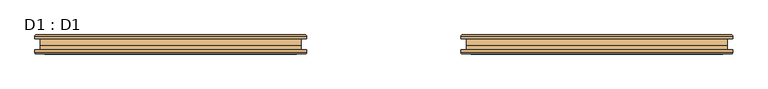
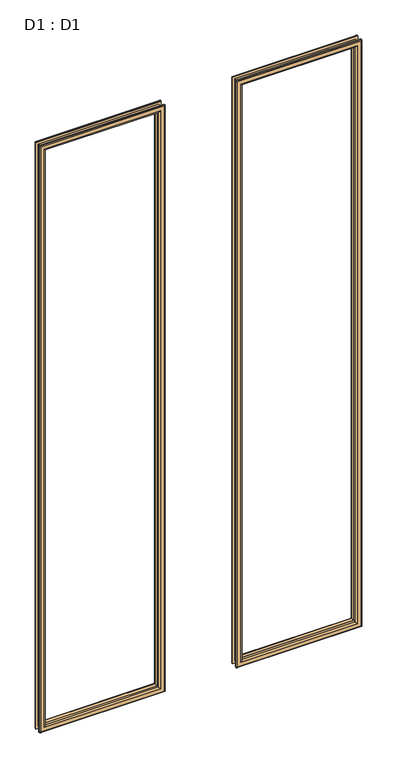
"""IFC4 building model written with IfcOpenShell, lengths in millimetres: door geometry, D1 : D1."""

from ifc_helpers import new_model, si_unit, frame, origin, place, context, project, spatial, ellipse_curve, source, transform, mapped, element, save
from ifc_brep_helpers import plane_surface, cylinder_surface, advanced_brep


def d1_d1_5e2eae25(model_context):
    return source(origin(), model_context, "Body", "AdvancedBrep", [
        advanced_brep(
        [(526.5, -48.0, 2196.006446), (526.5, -48.0, 155.753223), (526.5, -38.0, 155.753223), (526.5, -38.0, 2196.006446), (514.5, -37.0, 2184.006446), (514.5, -37.0, 167.753223), (514.5, -48.0, 167.753223), (514.5, -48.0, 2184.006446), (519.5, -32.0, 2189.006446), (519.5, -32.0, 162.753223), (534.5, -34.0, 2204.006446), (534.5, -34.0, 147.753223), (532.5, -32.0, 149.753223), (532.5, -32.0, 2202.006446), (534.5, -38.0, 2204.006446), (534.5, -38.0, 147.753223), (126.5, -48.0, 155.753223), (126.5, -38.0, 155.753223), (138.5, -37.0, 167.753223), (138.5, -48.0, 167.753223), (133.5, -32.0, 162.753223), (118.5, -34.0, 147.753223), (120.5, -32.0, 149.753223), (118.5, -38.0, 147.753223), (126.5, -48.0, 2196.006446), (126.5, -38.0, 2196.006446), (138.5, -37.0, 2184.006446), (138.5, -48.0, 2184.006446), (133.5, -32.0, 2189.006446), (118.5, -34.0, 2204.006446), (120.5, -32.0, 2202.006446), (118.5, -38.0, 2204.006446)],
        [
            (0, 1),
            (1, 2),
            (2, 3),
            (3, 0),
            (4, 5),
            (5, 6),
            (6, 7),
            (7, 4),
            (8, 9),
            (9, 5, ellipse_curve(frame((519.5, -37.0, 162.753223), z_axis=(0.7071067811865475, 0.0, 0.7071067811865475), x_axis=(-0.7071067811865474, 0.0, 0.7071067811865476)), 7.0710678, 5.0)),
            (4, 8, ellipse_curve(frame((519.5, -37.0, 2189.006446), z_axis=(0.7071067811865475, 0.0, -0.7071067811865475), x_axis=(0.7071067811865474, 0.0, 0.7071067811865476)), 7.0710678, 5.0)),
            (10, 11),
            (11, 12, ellipse_curve(frame((532.5, -34.0, 149.753223), z_axis=(0.7071067811865475, 0.0, 0.7071067811865475), x_axis=(-0.7071067811865474, 0.0, 0.7071067811865476)), 2.8284271, 2.0)),
            (12, 13),
            (13, 10, ellipse_curve(frame((532.5, -34.0, 2202.006446), z_axis=(0.7071067811865475, 0.0, -0.7071067811865475), x_axis=(0.7071067811865474, 0.0, 0.7071067811865476)), 2.8284271, 2.0)),
            (14, 15),
            (15, 11),
            (10, 14),
            (1, 16),
            (16, 17),
            (17, 2),
            (5, 18),
            (18, 19),
            (19, 6),
            (9, 20),
            (20, 18, ellipse_curve(frame((133.5, -37.0, 162.753223), z_axis=(0.7071067811865475, 0.0, -0.7071067811865475), x_axis=(0.7071067811865476, 0.0, 0.7071067811865474)), 7.0710678, 5.0)),
            (11, 21),
            (21, 22, ellipse_curve(frame((120.5, -34.0, 149.753223), z_axis=(0.7071067811865475, 0.0, -0.7071067811865475), x_axis=(0.7071067811865476, 0.0, 0.7071067811865474)), 2.8284271, 2.0)),
            (22, 12),
            (15, 23),
            (23, 21),
            (16, 24),
            (24, 25),
            (25, 17),
            (18, 26),
            (26, 27),
            (27, 19),
            (20, 28),
            (28, 26, ellipse_curve(frame((133.5, -37.0, 2189.006446), z_axis=(-0.7071067811865475, 0.0, -0.7071067811865475), x_axis=(0.7071067811865474, 0.0, -0.7071067811865476)), 7.0710678, 5.0)),
            (21, 29),
            (29, 30, ellipse_curve(frame((120.5, -34.0, 2202.006446), z_axis=(-0.7071067811865475, 0.0, -0.7071067811865475), x_axis=(0.7071067811865474, 0.0, -0.7071067811865476)), 2.8284271, 2.0)),
            (30, 22),
            (23, 31),
            (31, 29),
            (14, 31),
            (25, 3),
            (24, 0),
            (27, 7),
            (26, 4),
            (28, 8),
            (30, 13),
            (29, 10),
        ],
        [
            plane_surface(frame((526.5, -38.0, 2196.006446), z_axis=(1.0, 0.0, 0.0), x_axis=(0.0, 0.0, -1.0))),
            plane_surface(frame((514.5, -48.0, 2184.006446), z_axis=(-1.0, 0.0, 0.0), x_axis=(0.0, 0.0, -1.0))),
            cylinder_surface(frame((519.5, -37.0, 2196.006446), z_axis=(0.0, 0.0, 1.0), x_axis=(1.0, 0.0, 0.0)), 5.0),
            cylinder_surface(frame((532.5, -34.0, 2196.006446), z_axis=(0.0, 0.0, 1.0), x_axis=(1.0, 0.0, 0.0)), 2.0),
            plane_surface(frame((534.5, -34.0, 2204.006446), z_axis=(1.0, 0.0, 0.0), x_axis=(0.0, 0.0, -1.0))),
            plane_surface(frame((526.5, -38.0, 155.753223), z_axis=(0.0, 0.0, -1.0), x_axis=(-1.0, 0.0, 0.0))),
            plane_surface(frame((514.5, -48.0, 167.753223), z_axis=(0.0, 0.0, 1.0), x_axis=(-1.0, 0.0, 0.0))),
            cylinder_surface(frame((526.5, -37.0, 162.753223), z_axis=(1.0, 0.0, 0.0), x_axis=(0.0, 0.0, -1.0)), 5.0),
            cylinder_surface(frame((526.5, -34.0, 149.753223), z_axis=(1.0, 0.0, 0.0), x_axis=(0.0, 0.0, -1.0)), 2.0),
            plane_surface(frame((534.5, -34.0, 147.753223), z_axis=(0.0, 0.0, -1.0), x_axis=(-1.0, 0.0, 0.0))),
            plane_surface(frame((126.5, -38.0, 155.753223), z_axis=(-1.0, 0.0, 0.0), x_axis=(0.0, 0.0, 1.0))),
            plane_surface(frame((138.5, -48.0, 167.753223), z_axis=(1.0, 0.0, 0.0), x_axis=(0.0, 0.0, 1.0))),
            cylinder_surface(frame((133.5, -37.0, 155.753223), z_axis=(0.0, 0.0, -1.0), x_axis=(-1.0, 0.0, 0.0)), 5.0),
            cylinder_surface(frame((120.5, -34.0, 155.753223), z_axis=(0.0, 0.0, -1.0), x_axis=(-1.0, 0.0, 0.0)), 2.0),
            plane_surface(frame((118.5, -34.0, 147.753223), z_axis=(-1.0, 0.0, 0.0), x_axis=(0.0, 0.0, 1.0))),
            plane_surface(frame((118.5, -38.0, 2204.006446), z_axis=(0.0, -1.0, 0.0), x_axis=(1.0, 0.0, 0.0))),
            plane_surface(frame((126.5, -38.0, 2196.006446), z_axis=(0.0, 0.0, 1.0), x_axis=(1.0, 0.0, 0.0))),
            plane_surface(frame((126.5, -48.0, 2196.006446), z_axis=(0.0, -1.0, 0.0), x_axis=(1.0, 0.0, 0.0))),
            plane_surface(frame((138.5, -48.0, 2184.006446), z_axis=(0.0, 0.0, -1.0), x_axis=(1.0, 0.0, 0.0))),
            cylinder_surface(frame((126.5, -37.0, 2189.006446), z_axis=(-1.0, 0.0, 0.0), x_axis=(0.0, 0.0, 1.0)), 5.0),
            plane_surface(frame((133.5, -32.0, 2189.006446), z_axis=(0.0, 1.0, 0.0), x_axis=(1.0, 0.0, 0.0))),
            cylinder_surface(frame((126.5, -34.0, 2202.006446), z_axis=(-1.0, 0.0, 0.0), x_axis=(0.0, 0.0, 1.0)), 2.0),
            plane_surface(frame((118.5, -34.0, 2204.006446), z_axis=(0.0, 0.0, 1.0), x_axis=(1.0, 0.0, 0.0))),
        ],
        [
            (0, [[1, 2, 3, 4]]),
            (1, [[5, 6, 7, 8]]),
            (2, [[9, 10, -5, 11]]),
            (3, [[12, 13, 14, 15]]),
            (4, [[16, 17, -12, 18]]),
            (5, [[19, 20, 21, -2]]),
            (6, [[22, 23, 24, -6]]),
            (7, [[25, 26, -22, -10]]),
            (8, [[27, 28, 29, -13]]),
            (9, [[30, 31, -27, -17]]),
            (10, [[32, 33, 34, -20]]),
            (11, [[35, 36, 37, -23]]),
            (12, [[38, 39, -35, -26]]),
            (13, [[40, 41, 42, -28]]),
            (14, [[43, 44, -40, -31]]),
            (15, [[-16, 45, -43, -30], [-3, -21, -34, 46]]),
            (16, [[47, -4, -46, -33]]),
            (17, [[-1, -47, -32, -19], [-7, -24, -37, 48]]),
            (18, [[49, -8, -48, -36]]),
            (19, [[50, -11, -49, -39]]),
            (20, [[-14, -29, -42, 51], [-9, -50, -38, -25]]),
            (21, [[52, -15, -51, -41]]),
            (22, [[-45, -18, -52, -44]]),
        ],
    ),
        advanced_brep(
        [(-526.5, -48.0, 155.753223), (-526.5, -48.0, 2195.753223), (-526.5, -38.0, 2195.753223), (-526.5, -38.0, 155.753223), (-514.5, -37.0, 167.753223), (-514.5, -37.0, 2183.753223), (-514.5, -48.0, 2183.753223), (-514.5, -48.0, 167.753223), (-519.5, -32.0, 162.753223), (-519.5, -32.0, 2188.753223), (-534.5, -34.0, 147.753223), (-534.5, -34.0, 2203.753223), (-532.5, -32.0, 2201.753223), (-532.5, -32.0, 149.753223), (-534.5, -38.0, 147.753223), (-534.5, -38.0, 2203.753223), (-126.5, -48.0, 2195.753223), (-126.5, -38.0, 2195.753223), (-138.5, -37.0, 2183.753223), (-138.5, -48.0, 2183.753223), (-133.5, -32.0, 2188.753223), (-118.5, -34.0, 2203.753223), (-120.5, -32.0, 2201.753223), (-118.5, -38.0, 2203.753223), (-126.5, -48.0, 155.753223), (-126.5, -38.0, 155.753223), (-138.5, -37.0, 167.753223), (-138.5, -48.0, 167.753223), (-133.5, -32.0, 162.753223), (-118.5, -34.0, 147.753223), (-120.5, -32.0, 149.753223), (-118.5, -38.0, 147.753223)],
        [
            (0, 1),
            (1, 2),
            (2, 3),
            (3, 0),
            (4, 5),
            (5, 6),
            (6, 7),
            (7, 4),
            (8, 9),
            (9, 5, ellipse_curve(frame((-519.5, -37.0, 2188.753223), z_axis=(-0.7071067811865475, 0.0, -0.7071067811865475), x_axis=(0.7071067811865474, 0.0, -0.7071067811865476)), 7.0710678, 5.0)),
            (4, 8, ellipse_curve(frame((-519.5, -37.0, 162.753223), z_axis=(-0.7071067811865475, 0.0, 0.7071067811865475), x_axis=(-0.7071067811865474, 0.0, -0.7071067811865476)), 7.0710678, 5.0)),
            (10, 11),
            (11, 12, ellipse_curve(frame((-532.5, -34.0, 2201.753223), z_axis=(-0.7071067811865475, 0.0, -0.7071067811865475), x_axis=(0.7071067811865474, 0.0, -0.7071067811865476)), 2.8284271, 2.0)),
            (12, 13),
            (13, 10, ellipse_curve(frame((-532.5, -34.0, 149.753223), z_axis=(-0.7071067811865475, 0.0, 0.7071067811865475), x_axis=(-0.7071067811865474, 0.0, -0.7071067811865476)), 2.8284271, 2.0)),
            (14, 15),
            (15, 11),
            (10, 14),
            (1, 16),
            (16, 17),
            (17, 2),
            (5, 18),
            (18, 19),
            (19, 6),
            (9, 20),
            (20, 18, ellipse_curve(frame((-133.5, -37.0, 2188.753223), z_axis=(-0.7071067811865475, 0.0, 0.7071067811865475), x_axis=(-0.7071067811865476, 0.0, -0.7071067811865474)), 7.0710678, 5.0)),
            (11, 21),
            (21, 22, ellipse_curve(frame((-120.5, -34.0, 2201.753223), z_axis=(-0.7071067811865475, 0.0, 0.7071067811865475), x_axis=(-0.7071067811865476, 0.0, -0.7071067811865474)), 2.8284271, 2.0)),
            (22, 12),
            (15, 23),
            (23, 21),
            (16, 24),
            (24, 25),
            (25, 17),
            (18, 26),
            (26, 27),
            (27, 19),
            (20, 28),
            (28, 26, ellipse_curve(frame((-133.5, -37.0, 162.753223), z_axis=(0.7071067811865475, 0.0, 0.7071067811865475), x_axis=(-0.7071067811865474, 0.0, 0.7071067811865476)), 7.0710678, 5.0)),
            (21, 29),
            (29, 30, ellipse_curve(frame((-120.5, -34.0, 149.753223), z_axis=(0.7071067811865475, 0.0, 0.7071067811865475), x_axis=(-0.7071067811865474, 0.0, 0.7071067811865476)), 2.8284271, 2.0)),
            (30, 22),
            (23, 31),
            (31, 29),
            (14, 31),
            (25, 3),
            (24, 0),
            (27, 7),
            (26, 4),
            (28, 8),
            (30, 13),
            (29, 10),
        ],
        [
            plane_surface(frame((-526.5, -38.0, 155.753223), z_axis=(-1.0, 0.0, 0.0), x_axis=(0.0, 0.0, 1.0))),
            plane_surface(frame((-514.5, -48.0, 167.753223), z_axis=(1.0, 0.0, 0.0), x_axis=(0.0, 0.0, 1.0))),
            cylinder_surface(frame((-519.5, -37.0, 155.753223), z_axis=(0.0, 0.0, -1.0), x_axis=(-1.0, 0.0, 0.0)), 5.0),
            cylinder_surface(frame((-532.5, -34.0, 155.753223), z_axis=(0.0, 0.0, -1.0), x_axis=(-1.0, 0.0, 0.0)), 2.0),
            plane_surface(frame((-534.5, -34.0, 147.753223), z_axis=(-1.0, 0.0, 0.0), x_axis=(0.0, 0.0, 1.0))),
            plane_surface(frame((-526.5, -38.0, 2195.753223), z_axis=(0.0, 0.0, 1.0), x_axis=(1.0, 0.0, 0.0))),
            plane_surface(frame((-514.5, -48.0, 2183.753223), z_axis=(0.0, 0.0, -1.0), x_axis=(1.0, 0.0, 0.0))),
            cylinder_surface(frame((-526.5, -37.0, 2188.753223), z_axis=(-1.0, 0.0, 0.0), x_axis=(0.0, 0.0, 1.0)), 5.0),
            cylinder_surface(frame((-526.5, -34.0, 2201.753223), z_axis=(-1.0, 0.0, 0.0), x_axis=(0.0, 0.0, 1.0)), 2.0),
            plane_surface(frame((-534.5, -34.0, 2203.753223), z_axis=(0.0, 0.0, 1.0), x_axis=(1.0, 0.0, 0.0))),
            plane_surface(frame((-126.5, -38.0, 2195.753223), z_axis=(1.0, 0.0, 0.0), x_axis=(0.0, 0.0, -1.0))),
            plane_surface(frame((-138.5, -48.0, 2183.753223), z_axis=(-1.0, 0.0, 0.0), x_axis=(0.0, 0.0, -1.0))),
            cylinder_surface(frame((-133.5, -37.0, 2195.753223), z_axis=(0.0, 0.0, 1.0), x_axis=(1.0, 0.0, 0.0)), 5.0),
            cylinder_surface(frame((-120.5, -34.0, 2195.753223), z_axis=(0.0, 0.0, 1.0), x_axis=(1.0, 0.0, 0.0)), 2.0),
            plane_surface(frame((-118.5, -34.0, 2203.753223), z_axis=(1.0, 0.0, 0.0), x_axis=(0.0, 0.0, -1.0))),
            plane_surface(frame((-118.5, -38.0, 147.753223), z_axis=(0.0, -1.0, 0.0), x_axis=(-1.0, 0.0, 0.0))),
            plane_surface(frame((-126.5, -38.0, 155.753223), z_axis=(0.0, 0.0, -1.0), x_axis=(-1.0, 0.0, 0.0))),
            plane_surface(frame((-126.5, -48.0, 155.753223), z_axis=(0.0, -1.0, 0.0), x_axis=(-1.0, 0.0, 0.0))),
            plane_surface(frame((-138.5, -48.0, 167.753223), z_axis=(0.0, 0.0, 1.0), x_axis=(-1.0, 0.0, 0.0))),
            cylinder_surface(frame((-126.5, -37.0, 162.753223), z_axis=(1.0, 0.0, 0.0), x_axis=(0.0, 0.0, -1.0)), 5.0),
            plane_surface(frame((-133.5, -32.0, 162.753223), z_axis=(0.0, 1.0, 0.0), x_axis=(-1.0, 0.0, 0.0))),
            cylinder_surface(frame((-126.5, -34.0, 149.753223), z_axis=(1.0, 0.0, 0.0), x_axis=(0.0, 0.0, -1.0)), 2.0),
            plane_surface(frame((-118.5, -34.0, 147.753223), z_axis=(0.0, 0.0, -1.0), x_axis=(-1.0, 0.0, 0.0))),
        ],
        [
            (0, [[1, 2, 3, 4]]),
            (1, [[5, 6, 7, 8]]),
            (2, [[9, 10, -5, 11]]),
            (3, [[12, 13, 14, 15]]),
            (4, [[16, 17, -12, 18]]),
            (5, [[19, 20, 21, -2]]),
            (6, [[22, 23, 24, -6]]),
            (7, [[25, 26, -22, -10]]),
            (8, [[27, 28, 29, -13]]),
            (9, [[30, 31, -27, -17]]),
            (10, [[32, 33, 34, -20]]),
            (11, [[35, 36, 37, -23]]),
            (12, [[38, 39, -35, -26]]),
            (13, [[40, 41, 42, -28]]),
            (14, [[43, 44, -40, -31]]),
            (15, [[-16, 45, -43, -30], [-3, -21, -34, 46]]),
            (16, [[47, -4, -46, -33]]),
            (17, [[-1, -47, -32, -19], [-7, -24, -37, 48]]),
            (18, [[49, -8, -48, -36]]),
            (19, [[50, -11, -49, -39]]),
            (20, [[-14, -29, -42, 51], [-9, -50, -38, -25]]),
            (21, [[52, -15, -51, -41]]),
            (22, [[-45, -18, -52, -44]]),
        ],
    ),
        advanced_brep(
        [(526.5, -45.0, 155.753223), (526.5, -45.0, 2196.006446), (526.5, -55.0, 2196.006446), (526.5, -55.0, 155.753223), (514.5, -56.0, 167.753223), (514.5, -56.0, 2184.006446), (514.5, -45.0, 2184.006446), (514.5, -45.0, 167.753223), (519.5, -61.0, 162.753223), (519.5, -61.0, 2189.006446), (534.5, -59.0, 147.753223), (534.5, -59.0, 2204.006446), (532.5, -61.0, 2202.006446), (532.5, -61.0, 149.753223), (534.5, -55.0, 147.753223), (534.5, -55.0, 2204.006446), (126.5, -45.0, 2196.006446), (126.5, -55.0, 2196.006446), (138.5, -56.0, 2184.006446), (138.5, -45.0, 2184.006446), (133.5, -61.0, 2189.006446), (118.5, -59.0, 2204.006446), (120.5, -61.0, 2202.006446), (118.5, -55.0, 2204.006446), (126.5, -45.0, 155.753223), (126.5, -55.0, 155.753223), (138.5, -56.0, 167.753223), (138.5, -45.0, 167.753223), (133.5, -61.0, 162.753223), (118.5, -59.0, 147.753223), (120.5, -61.0, 149.753223), (118.5, -55.0, 147.753223)],
        [
            (0, 1),
            (1, 2),
            (2, 3),
            (3, 0),
            (4, 5),
            (5, 6),
            (6, 7),
            (7, 4),
            (8, 9),
            (9, 5, ellipse_curve(frame((519.5, -56.0, 2189.006446), z_axis=(0.7071067811865475, 0.0, -0.7071067811865475), x_axis=(-0.7071067811865474, 0.0, -0.7071067811865476)), 7.0710678, 5.0)),
            (4, 8, ellipse_curve(frame((519.5, -56.0, 162.753223), z_axis=(0.7071067811865475, 0.0, 0.7071067811865475), x_axis=(0.7071067811865474, 0.0, -0.7071067811865476)), 7.0710678, 5.0)),
            (10, 11),
            (11, 12, ellipse_curve(frame((532.5, -59.0, 2202.006446), z_axis=(0.7071067811865475, 0.0, -0.7071067811865475), x_axis=(-0.7071067811865474, 0.0, -0.7071067811865476)), 2.8284271, 2.0)),
            (12, 13),
            (13, 10, ellipse_curve(frame((532.5, -59.0, 149.753223), z_axis=(0.7071067811865475, 0.0, 0.7071067811865475), x_axis=(0.7071067811865474, 0.0, -0.7071067811865476)), 2.8284271, 2.0)),
            (14, 15),
            (15, 11),
            (10, 14),
            (1, 16),
            (16, 17),
            (17, 2),
            (5, 18),
            (18, 19),
            (19, 6),
            (9, 20),
            (20, 18, ellipse_curve(frame((133.5, -56.0, 2189.006446), z_axis=(0.7071067811865475, 0.0, 0.7071067811865475), x_axis=(0.7071067811865476, 0.0, -0.7071067811865474)), 7.0710678, 5.0)),
            (11, 21),
            (21, 22, ellipse_curve(frame((120.5, -59.0, 2202.006446), z_axis=(0.7071067811865475, 0.0, 0.7071067811865475), x_axis=(0.7071067811865476, 0.0, -0.7071067811865474)), 2.8284271, 2.0)),
            (22, 12),
            (15, 23),
            (23, 21),
            (16, 24),
            (24, 25),
            (25, 17),
            (18, 26),
            (26, 27),
            (27, 19),
            (20, 28),
            (28, 26, ellipse_curve(frame((133.5, -56.0, 162.753223), z_axis=(-0.7071067811865475, 0.0, 0.7071067811865475), x_axis=(0.7071067811865474, 0.0, 0.7071067811865476)), 7.0710678, 5.0)),
            (21, 29),
            (29, 30, ellipse_curve(frame((120.5, -59.0, 149.753223), z_axis=(-0.7071067811865475, 0.0, 0.7071067811865475), x_axis=(0.7071067811865474, 0.0, 0.7071067811865476)), 2.8284271, 2.0)),
            (30, 22),
            (23, 31),
            (31, 29),
            (14, 31),
            (25, 3),
            (24, 0),
            (27, 7),
            (26, 4),
            (28, 8),
            (30, 13),
            (29, 10),
        ],
        [
            plane_surface(frame((526.5, -55.0, 155.753223), z_axis=(1.0, 0.0, 0.0), x_axis=(0.0, 0.0, 1.0))),
            plane_surface(frame((514.5, -45.0, 167.753223), z_axis=(-1.0, 0.0, 0.0), x_axis=(0.0, 0.0, 1.0))),
            cylinder_surface(frame((519.5, -56.0, 155.753223), z_axis=(0.0, 0.0, -1.0), x_axis=(1.0, 0.0, 0.0)), 5.0),
            cylinder_surface(frame((532.5, -59.0, 155.753223), z_axis=(0.0, 0.0, -1.0), x_axis=(1.0, 0.0, 0.0)), 2.0),
            plane_surface(frame((534.5, -59.0, 147.753223), z_axis=(1.0, 0.0, 0.0), x_axis=(0.0, 0.0, 1.0))),
            plane_surface(frame((526.5, -55.0, 2196.006446), z_axis=(0.0, 0.0, 1.0), x_axis=(-1.0, 0.0, 0.0))),
            plane_surface(frame((514.5, -45.0, 2184.006446), z_axis=(0.0, 0.0, -1.0), x_axis=(-1.0, 0.0, 0.0))),
            cylinder_surface(frame((526.5, -56.0, 2189.006446), z_axis=(1.0, 0.0, 0.0), x_axis=(0.0, 0.0, 1.0)), 5.0),
            cylinder_surface(frame((526.5, -59.0, 2202.006446), z_axis=(1.0, 0.0, 0.0), x_axis=(0.0, 0.0, 1.0)), 2.0),
            plane_surface(frame((534.5, -59.0, 2204.006446), z_axis=(0.0, 0.0, 1.0), x_axis=(-1.0, 0.0, 0.0))),
            plane_surface(frame((126.5, -55.0, 2196.006446), z_axis=(-1.0, 0.0, 0.0), x_axis=(0.0, 0.0, -1.0))),
            plane_surface(frame((138.5, -45.0, 2184.006446), z_axis=(1.0, 0.0, 0.0), x_axis=(0.0, 0.0, -1.0))),
            cylinder_surface(frame((133.5, -56.0, 2196.006446), z_axis=(0.0, 0.0, 1.0), x_axis=(-1.0, 0.0, 0.0)), 5.0),
            cylinder_surface(frame((120.5, -59.0, 2196.006446), z_axis=(0.0, 0.0, 1.0), x_axis=(-1.0, 0.0, 0.0)), 2.0),
            plane_surface(frame((118.5, -59.0, 2204.006446), z_axis=(-1.0, 0.0, 0.0), x_axis=(0.0, 0.0, -1.0))),
            plane_surface(frame((118.5, -55.0, 147.753223), z_axis=(0.0, 1.0, 0.0), x_axis=(1.0, 0.0, 0.0))),
            plane_surface(frame((126.5, -55.0, 155.753223), z_axis=(0.0, 0.0, -1.0), x_axis=(1.0, 0.0, 0.0))),
            plane_surface(frame((126.5, -45.0, 155.753223), z_axis=(0.0, 1.0, 0.0), x_axis=(1.0, 0.0, 0.0))),
            plane_surface(frame((138.5, -45.0, 167.753223), z_axis=(0.0, 0.0, 1.0), x_axis=(1.0, 0.0, 0.0))),
            cylinder_surface(frame((126.5, -56.0, 162.753223), z_axis=(-1.0, 0.0, 0.0), x_axis=(0.0, 0.0, -1.0)), 5.0),
            plane_surface(frame((133.5, -61.0, 162.753223), z_axis=(0.0, -1.0, 0.0), x_axis=(1.0, 0.0, 0.0))),
            cylinder_surface(frame((126.5, -59.0, 149.753223), z_axis=(-1.0, 0.0, 0.0), x_axis=(0.0, 0.0, -1.0)), 2.0),
            plane_surface(frame((118.5, -59.0, 147.753223), z_axis=(0.0, 0.0, -1.0), x_axis=(1.0, 0.0, 0.0))),
        ],
        [
            (0, [[1, 2, 3, 4]]),
            (1, [[5, 6, 7, 8]]),
            (2, [[9, 10, -5, 11]]),
            (3, [[12, 13, 14, 15]]),
            (4, [[16, 17, -12, 18]]),
            (5, [[19, 20, 21, -2]]),
            (6, [[22, 23, 24, -6]]),
            (7, [[25, 26, -22, -10]]),
            (8, [[27, 28, 29, -13]]),
            (9, [[30, 31, -27, -17]]),
            (10, [[32, 33, 34, -20]]),
            (11, [[35, 36, 37, -23]]),
            (12, [[38, 39, -35, -26]]),
            (13, [[40, 41, 42, -28]]),
            (14, [[43, 44, -40, -31]]),
            (15, [[-16, 45, -43, -30], [-3, -21, -34, 46]]),
            (16, [[47, -4, -46, -33]]),
            (17, [[-1, -47, -32, -19], [-7, -24, -37, 48]]),
            (18, [[49, -8, -48, -36]]),
            (19, [[50, -11, -49, -39]]),
            (20, [[-14, -29, -42, 51], [-9, -50, -38, -25]]),
            (21, [[52, -15, -51, -41]]),
            (22, [[-45, -18, -52, -44]]),
        ],
    ),
        advanced_brep(
        [(-526.5, -45.0, 2196.006446), (-526.5, -45.0, 155.753223), (-526.5, -55.0, 155.753223), (-526.5, -55.0, 2196.006446), (-514.5, -56.0, 2184.006446), (-514.5, -56.0, 167.753223), (-514.5, -45.0, 167.753223), (-514.5, -45.0, 2184.006446), (-519.5, -61.0, 2189.006446), (-519.5, -61.0, 162.753223), (-534.5, -59.0, 2204.006446), (-534.5, -59.0, 147.753223), (-532.5, -61.0, 149.753223), (-532.5, -61.0, 2202.006446), (-534.5, -55.0, 2204.006446), (-534.5, -55.0, 147.753223), (-126.5, -45.0, 155.753223), (-126.5, -55.0, 155.753223), (-138.5, -56.0, 167.753223), (-138.5, -45.0, 167.753223), (-133.5, -61.0, 162.753223), (-118.5, -59.0, 147.753223), (-120.5, -61.0, 149.753223), (-118.5, -55.0, 147.753223), (-126.5, -45.0, 2196.006446), (-126.5, -55.0, 2196.006446), (-138.5, -56.0, 2184.006446), (-138.5, -45.0, 2184.006446), (-133.5, -61.0, 2189.006446), (-118.5, -59.0, 2204.006446), (-120.5, -61.0, 2202.006446), (-118.5, -55.0, 2204.006446)],
        [
            (0, 1),
            (1, 2),
            (2, 3),
            (3, 0),
            (4, 5),
            (5, 6),
            (6, 7),
            (7, 4),
            (8, 9),
            (9, 5, ellipse_curve(frame((-519.5, -56.0, 162.753223), z_axis=(-0.7071067811865475, 0.0, 0.7071067811865475), x_axis=(0.7071067811865474, 0.0, 0.7071067811865476)), 7.0710678, 5.0)),
            (4, 8, ellipse_curve(frame((-519.5, -56.0, 2189.006446), z_axis=(-0.7071067811865475, 0.0, -0.7071067811865475), x_axis=(-0.7071067811865474, 0.0, 0.7071067811865476)), 7.0710678, 5.0)),
            (10, 11),
            (11, 12, ellipse_curve(frame((-532.5, -59.0, 149.753223), z_axis=(-0.7071067811865475, 0.0, 0.7071067811865475), x_axis=(0.7071067811865474, 0.0, 0.7071067811865476)), 2.8284271, 2.0)),
            (12, 13),
            (13, 10, ellipse_curve(frame((-532.5, -59.0, 2202.006446), z_axis=(-0.7071067811865475, 0.0, -0.7071067811865475), x_axis=(-0.7071067811865474, 0.0, 0.7071067811865476)), 2.8284271, 2.0)),
            (14, 15),
            (15, 11),
            (10, 14),
            (1, 16),
            (16, 17),
            (17, 2),
            (5, 18),
            (18, 19),
            (19, 6),
            (9, 20),
            (20, 18, ellipse_curve(frame((-133.5, -56.0, 162.753223), z_axis=(-0.7071067811865475, 0.0, -0.7071067811865475), x_axis=(-0.7071067811865476, 0.0, 0.7071067811865474)), 7.0710678, 5.0)),
            (11, 21),
            (21, 22, ellipse_curve(frame((-120.5, -59.0, 149.753223), z_axis=(-0.7071067811865475, 0.0, -0.7071067811865475), x_axis=(-0.7071067811865476, 0.0, 0.7071067811865474)), 2.8284271, 2.0)),
            (22, 12),
            (15, 23),
            (23, 21),
            (16, 24),
            (24, 25),
            (25, 17),
            (18, 26),
            (26, 27),
            (27, 19),
            (20, 28),
            (28, 26, ellipse_curve(frame((-133.5, -56.0, 2189.006446), z_axis=(0.7071067811865475, 0.0, -0.7071067811865475), x_axis=(-0.7071067811865474, 0.0, -0.7071067811865476)), 7.0710678, 5.0)),
            (21, 29),
            (29, 30, ellipse_curve(frame((-120.5, -59.0, 2202.006446), z_axis=(0.7071067811865475, 0.0, -0.7071067811865475), x_axis=(-0.7071067811865474, 0.0, -0.7071067811865476)), 2.8284271, 2.0)),
            (30, 22),
            (23, 31),
            (31, 29),
            (14, 31),
            (25, 3),
            (24, 0),
            (27, 7),
            (26, 4),
            (28, 8),
            (30, 13),
            (29, 10),
        ],
        [
            plane_surface(frame((-526.5, -55.0, 2196.006446), z_axis=(-1.0, 0.0, 0.0), x_axis=(0.0, 0.0, -1.0))),
            plane_surface(frame((-514.5, -45.0, 2184.006446), z_axis=(1.0, 0.0, 0.0), x_axis=(0.0, 0.0, -1.0))),
            cylinder_surface(frame((-519.5, -56.0, 2196.006446), z_axis=(0.0, 0.0, 1.0), x_axis=(-1.0, 0.0, 0.0)), 5.0),
            cylinder_surface(frame((-532.5, -59.0, 2196.006446), z_axis=(0.0, 0.0, 1.0), x_axis=(-1.0, 0.0, 0.0)), 2.0),
            plane_surface(frame((-534.5, -59.0, 2204.006446), z_axis=(-1.0, 0.0, 0.0), x_axis=(0.0, 0.0, -1.0))),
            plane_surface(frame((-526.5, -55.0, 155.753223), z_axis=(0.0, 0.0, -1.0), x_axis=(1.0, 0.0, 0.0))),
            plane_surface(frame((-514.5, -45.0, 167.753223), z_axis=(0.0, 0.0, 1.0), x_axis=(1.0, 0.0, 0.0))),
            cylinder_surface(frame((-526.5, -56.0, 162.753223), z_axis=(-1.0, 0.0, 0.0), x_axis=(0.0, 0.0, -1.0)), 5.0),
            cylinder_surface(frame((-526.5, -59.0, 149.753223), z_axis=(-1.0, 0.0, 0.0), x_axis=(0.0, 0.0, -1.0)), 2.0),
            plane_surface(frame((-534.5, -59.0, 147.753223), z_axis=(0.0, 0.0, -1.0), x_axis=(1.0, 0.0, 0.0))),
            plane_surface(frame((-126.5, -55.0, 155.753223), z_axis=(1.0, 0.0, 0.0), x_axis=(0.0, 0.0, 1.0))),
            plane_surface(frame((-138.5, -45.0, 167.753223), z_axis=(-1.0, 0.0, 0.0), x_axis=(0.0, 0.0, 1.0))),
            cylinder_surface(frame((-133.5, -56.0, 155.753223), z_axis=(0.0, 0.0, -1.0), x_axis=(1.0, 0.0, 0.0)), 5.0),
            cylinder_surface(frame((-120.5, -59.0, 155.753223), z_axis=(0.0, 0.0, -1.0), x_axis=(1.0, 0.0, 0.0)), 2.0),
            plane_surface(frame((-118.5, -59.0, 147.753223), z_axis=(1.0, 0.0, 0.0), x_axis=(0.0, 0.0, 1.0))),
            plane_surface(frame((-118.5, -55.0, 2204.006446), z_axis=(0.0, 1.0, 0.0), x_axis=(-1.0, 0.0, 0.0))),
            plane_surface(frame((-126.5, -55.0, 2196.006446), z_axis=(0.0, 0.0, 1.0), x_axis=(-1.0, 0.0, 0.0))),
            plane_surface(frame((-126.5, -45.0, 2196.006446), z_axis=(0.0, 1.0, 0.0), x_axis=(-1.0, 0.0, 0.0))),
            plane_surface(frame((-138.5, -45.0, 2184.006446), z_axis=(0.0, 0.0, -1.0), x_axis=(-1.0, 0.0, 0.0))),
            cylinder_surface(frame((-126.5, -56.0, 2189.006446), z_axis=(1.0, 0.0, 0.0), x_axis=(0.0, 0.0, 1.0)), 5.0),
            plane_surface(frame((-133.5, -61.0, 2189.006446), z_axis=(0.0, -1.0, 0.0), x_axis=(-1.0, 0.0, 0.0))),
            cylinder_surface(frame((-126.5, -59.0, 2202.006446), z_axis=(1.0, 0.0, 0.0), x_axis=(0.0, 0.0, 1.0)), 2.0),
            plane_surface(frame((-118.5, -59.0, 2204.006446), z_axis=(0.0, 0.0, 1.0), x_axis=(-1.0, 0.0, 0.0))),
        ],
        [
            (0, [[1, 2, 3, 4]]),
            (1, [[5, 6, 7, 8]]),
            (2, [[9, 10, -5, 11]]),
            (3, [[12, 13, 14, 15]]),
            (4, [[16, 17, -12, 18]]),
            (5, [[19, 20, 21, -2]]),
            (6, [[22, 23, 24, -6]]),
            (7, [[25, 26, -22, -10]]),
            (8, [[27, 28, 29, -13]]),
            (9, [[30, 31, -27, -17]]),
            (10, [[32, 33, 34, -20]]),
            (11, [[35, 36, 37, -23]]),
            (12, [[38, 39, -35, -26]]),
            (13, [[40, 41, 42, -28]]),
            (14, [[43, 44, -40, -31]]),
            (15, [[-16, 45, -43, -30], [-3, -21, -34, 46]]),
            (16, [[47, -4, -46, -33]]),
            (17, [[-1, -47, -32, -19], [-7, -24, -37, 48]]),
            (18, [[49, -8, -48, -36]]),
            (19, [[50, -11, -49, -39]]),
            (20, [[-14, -29, -42, 51], [-9, -50, -38, -25]]),
            (21, [[52, -15, -51, -41]]),
            (22, [[-45, -18, -52, -44]]),
        ],
    ),
    ])


if __name__ == "__main__":
    model = new_model("IFC4")
    model_context = context("Model", 3, world=origin())
    ifc_project = project(units=[si_unit("LENGTHUNIT", "METRE", prefix="MILLI")], contexts=[model_context])
    site = spatial("IfcSite", under=ifc_project)
    building = spatial("IfcBuilding", under=site)
    placement = place(None, origin())
    d1_d1_shape = d1_d1_5e2eae25(model_context)
    element("IfcDoor", 1, ObjectType="D1 : D1", at=placement, inside=building, context=model_context, shape_type="MappedRepresentation", body=[
        mapped(d1_d1_shape, transform((0.0, 0.0, 0.0), x_axis=(1.0, 0.0, 0.0), y_axis=(0.0, 1.0, 0.0), z_axis=(0.0, 0.0, 1.0))),
    ])
    save(model, "model.ifc")
